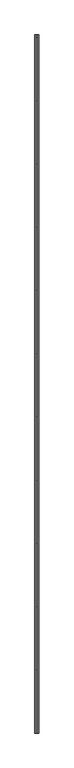
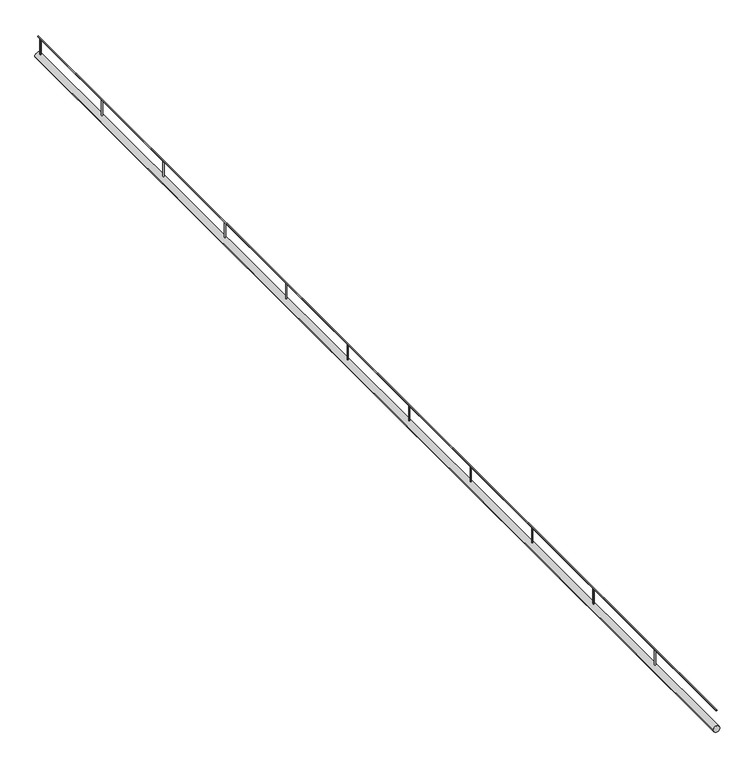
"""IFC4 building model written with IfcOpenShell, lengths in millimetres: railing geometry."""

from ifc_helpers import new_model, si_unit, point, frame, frame_2d, origin, place, context, project, spatial, circle_curve, trimmed, segment, composite_curve, outline, extrude, source, transform, mapped, element, save


def railing_8a7b0d55(model_context):
    return source(origin(), model_context, "Body", "SweptSolid", [
        extrude(outline(composite_curve([segment(trimmed(circle_curve(frame_2d((2505.0, 2564.3297172)), 15.0), [point((2505.0, 2579.3297172))], [point((2505.0, 2549.3297172))], False, "CARTESIAN"), True, "CONTINUOUS"), segment(trimmed(circle_curve(frame_2d((2505.0, 2564.3297172)), 15.0), [point((2505.0, 2549.3297172))], [point((2505.0, 2579.3297172))], False, "CARTESIAN"), True, "CONTINUOUS")], self_intersect=False)), frame((0.0, 35332.05804, 0.0), z_axis=(0.0, 1.0, 0.0), x_axis=(0.0, 0.0, 1.0)), (0.0, 0.0, 1.0), 5520.0),
        extrude(outline(composite_curve([segment(trimmed(circle_curve(frame_2d((2597.5, 2564.3297172)), 2.5), [point((2597.5, 2566.8297172))], [point((2597.5, 2561.8297172))], False, "CARTESIAN"), True, "CONTINUOUS"), segment(trimmed(circle_curve(frame_2d((2597.5, 2564.3297172)), 2.5), [point((2597.5, 2561.8297172))], [point((2597.5, 2566.8297172))], False, "CARTESIAN"), True, "CONTINUOUS")], self_intersect=False)), frame((0.0, 35332.05804, 0.0), z_axis=(0.0, 1.0, 0.0), x_axis=(0.0, 0.0, 1.0)), (0.0, 0.0, 1.0), 5520.0),
        extrude(outline(composite_curve([segment(trimmed(circle_curve(frame_2d((2564.3297172, 40832.05804)), 2.5), [point((2566.8297172, 40832.05804))], [point((2561.8297172, 40832.05804))], False, "CARTESIAN"), True, "CONTINUOUS"), segment(trimmed(circle_curve(frame_2d((2564.3297172, 40832.05804)), 2.5), [point((2561.8297172, 40832.05804))], [point((2566.8297172, 40832.05804))], False, "CARTESIAN"), True, "CONTINUOUS")], self_intersect=False)), frame((0.0, 0.0, 2520.0), z_axis=(0.0, 0.0, 1.0), x_axis=(1.0, 0.0, 0.0)), (0.0, 0.0, 1.0), 75.0),
        extrude(outline(composite_curve([segment(trimmed(circle_curve(frame_2d((2564.3297172, 40332.05804)), 2.5), [point((2566.8297172, 40332.05804))], [point((2561.8297172, 40332.05804))], False, "CARTESIAN"), True, "CONTINUOUS"), segment(trimmed(circle_curve(frame_2d((2564.3297172, 40332.05804)), 2.5), [point((2561.8297172, 40332.05804))], [point((2566.8297172, 40332.05804))], False, "CARTESIAN"), True, "CONTINUOUS")], self_intersect=False)), frame((0.0, 0.0, 2520.0), z_axis=(0.0, 0.0, 1.0), x_axis=(1.0, 0.0, 0.0)), (0.0, 0.0, 1.0), 75.0),
        extrude(outline(composite_curve([segment(trimmed(circle_curve(frame_2d((2564.3297172, 39832.05804)), 2.5), [point((2566.8297172, 39832.05804))], [point((2561.8297172, 39832.05804))], False, "CARTESIAN"), True, "CONTINUOUS"), segment(trimmed(circle_curve(frame_2d((2564.3297172, 39832.05804)), 2.5), [point((2561.8297172, 39832.05804))], [point((2566.8297172, 39832.05804))], False, "CARTESIAN"), True, "CONTINUOUS")], self_intersect=False)), frame((0.0, 0.0, 2520.0), z_axis=(0.0, 0.0, 1.0), x_axis=(1.0, 0.0, 0.0)), (0.0, 0.0, 1.0), 75.0),
        extrude(outline(composite_curve([segment(trimmed(circle_curve(frame_2d((2564.3297172, 39332.05804)), 2.5), [point((2566.8297172, 39332.05804))], [point((2561.8297172, 39332.05804))], False, "CARTESIAN"), True, "CONTINUOUS"), segment(trimmed(circle_curve(frame_2d((2564.3297172, 39332.05804)), 2.5), [point((2561.8297172, 39332.05804))], [point((2566.8297172, 39332.05804))], False, "CARTESIAN"), True, "CONTINUOUS")], self_intersect=False)), frame((0.0, 0.0, 2520.0), z_axis=(0.0, 0.0, 1.0), x_axis=(1.0, 0.0, 0.0)), (0.0, 0.0, 1.0), 75.0),
        extrude(outline(composite_curve([segment(trimmed(circle_curve(frame_2d((2564.3297172, 38832.05804)), 2.5), [point((2566.8297172, 38832.05804))], [point((2561.8297172, 38832.05804))], False, "CARTESIAN"), True, "CONTINUOUS"), segment(trimmed(circle_curve(frame_2d((2564.3297172, 38832.05804)), 2.5), [point((2561.8297172, 38832.05804))], [point((2566.8297172, 38832.05804))], False, "CARTESIAN"), True, "CONTINUOUS")], self_intersect=False)), frame((0.0, 0.0, 2520.0), z_axis=(0.0, 0.0, 1.0), x_axis=(1.0, 0.0, 0.0)), (0.0, 0.0, 1.0), 75.0),
        extrude(outline(composite_curve([segment(trimmed(circle_curve(frame_2d((2564.3297172, 38332.05804)), 2.5), [point((2566.8297172, 38332.05804))], [point((2561.8297172, 38332.05804))], False, "CARTESIAN"), True, "CONTINUOUS"), segment(trimmed(circle_curve(frame_2d((2564.3297172, 38332.05804)), 2.5), [point((2561.8297172, 38332.05804))], [point((2566.8297172, 38332.05804))], False, "CARTESIAN"), True, "CONTINUOUS")], self_intersect=False)), frame((0.0, 0.0, 2520.0), z_axis=(0.0, 0.0, 1.0), x_axis=(1.0, 0.0, 0.0)), (0.0, 0.0, 1.0), 75.0),
        extrude(outline(composite_curve([segment(trimmed(circle_curve(frame_2d((2564.3297172, 37832.05804)), 2.5), [point((2566.8297172, 37832.05804))], [point((2561.8297172, 37832.05804))], False, "CARTESIAN"), True, "CONTINUOUS"), segment(trimmed(circle_curve(frame_2d((2564.3297172, 37832.05804)), 2.5), [point((2561.8297172, 37832.05804))], [point((2566.8297172, 37832.05804))], False, "CARTESIAN"), True, "CONTINUOUS")], self_intersect=False)), frame((0.0, 0.0, 2520.0), z_axis=(0.0, 0.0, 1.0), x_axis=(1.0, 0.0, 0.0)), (0.0, 0.0, 1.0), 75.0),
        extrude(outline(composite_curve([segment(trimmed(circle_curve(frame_2d((2564.3297172, 37332.05804)), 2.5), [point((2566.8297172, 37332.05804))], [point((2561.8297172, 37332.05804))], False, "CARTESIAN"), True, "CONTINUOUS"), segment(trimmed(circle_curve(frame_2d((2564.3297172, 37332.05804)), 2.5), [point((2561.8297172, 37332.05804))], [point((2566.8297172, 37332.05804))], False, "CARTESIAN"), True, "CONTINUOUS")], self_intersect=False)), frame((0.0, 0.0, 2520.0), z_axis=(0.0, 0.0, 1.0), x_axis=(1.0, 0.0, 0.0)), (0.0, 0.0, 1.0), 75.0),
        extrude(outline(composite_curve([segment(trimmed(circle_curve(frame_2d((2564.3297172, 36832.05804)), 2.5), [point((2566.8297172, 36832.05804))], [point((2561.8297172, 36832.05804))], False, "CARTESIAN"), True, "CONTINUOUS"), segment(trimmed(circle_curve(frame_2d((2564.3297172, 36832.05804)), 2.5), [point((2561.8297172, 36832.05804))], [point((2566.8297172, 36832.05804))], False, "CARTESIAN"), True, "CONTINUOUS")], self_intersect=False)), frame((0.0, 0.0, 2520.0), z_axis=(0.0, 0.0, 1.0), x_axis=(1.0, 0.0, 0.0)), (0.0, 0.0, 1.0), 75.0),
        extrude(outline(composite_curve([segment(trimmed(circle_curve(frame_2d((2564.3297172, 36332.05804)), 2.5), [point((2566.8297172, 36332.05804))], [point((2561.8297172, 36332.05804))], False, "CARTESIAN"), True, "CONTINUOUS"), segment(trimmed(circle_curve(frame_2d((2564.3297172, 36332.05804)), 2.5), [point((2561.8297172, 36332.05804))], [point((2566.8297172, 36332.05804))], False, "CARTESIAN"), True, "CONTINUOUS")], self_intersect=False)), frame((0.0, 0.0, 2520.0), z_axis=(0.0, 0.0, 1.0), x_axis=(1.0, 0.0, 0.0)), (0.0, 0.0, 1.0), 75.0),
        extrude(outline(composite_curve([segment(trimmed(circle_curve(frame_2d((2564.3297172, 35832.05804)), 2.5), [point((2566.8297172, 35832.05804))], [point((2561.8297172, 35832.05804))], False, "CARTESIAN"), True, "CONTINUOUS"), segment(trimmed(circle_curve(frame_2d((2564.3297172, 35832.05804)), 2.5), [point((2561.8297172, 35832.05804))], [point((2566.8297172, 35832.05804))], False, "CARTESIAN"), True, "CONTINUOUS")], self_intersect=False)), frame((0.0, 0.0, 2520.0), z_axis=(0.0, 0.0, 1.0), x_axis=(1.0, 0.0, 0.0)), (0.0, 0.0, 1.0), 75.0),
    ])


if __name__ == "__main__":
    model = new_model("IFC4")
    model_context = context("Model", 3, world=origin())
    ifc_project = project(units=[si_unit("LENGTHUNIT", "METRE", prefix="MILLI")], contexts=[model_context])
    site = spatial("IfcSite", under=ifc_project)
    building = spatial("IfcBuilding", under=site)
    placement = place(None, origin())
    railing_shape = railing_8a7b0d55(model_context)
    element("IfcRailing", 1, at=placement, inside=building, context=model_context, shape_type="MappedRepresentation", body=[
        mapped(railing_shape, transform((0.0, 0.0, 0.0), x_axis=(1.0, 0.0, 0.0), y_axis=(0.0, 1.0, 0.0), z_axis=(0.0, 0.0, 1.0))),
    ])
    save(model, "model.ifc")
